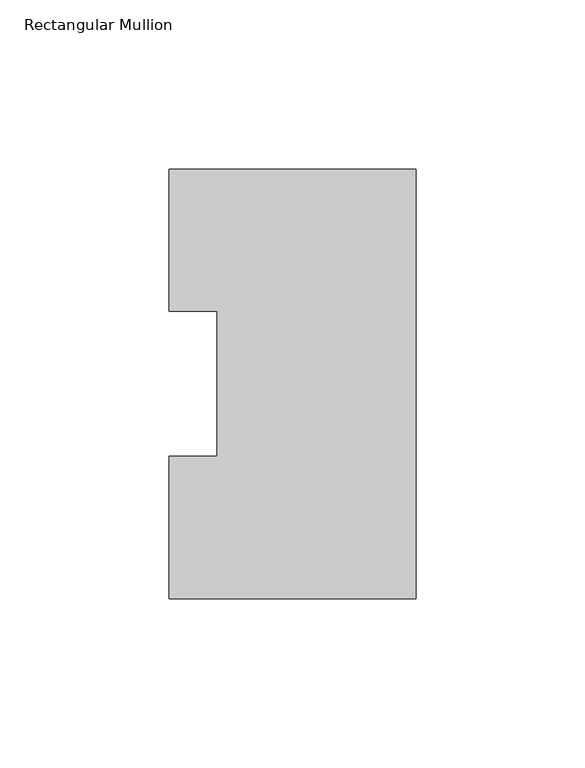
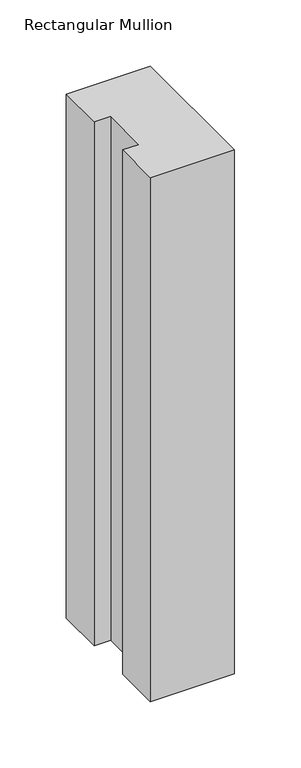
"""IFC4 building model written with IfcOpenShell, lengths in millimetres: member geometry, Rectangular Mullion."""

from ifc_helpers import new_model, si_unit, frame, origin, place, context, project, spatial, polyline, outline, extrude, source, transform, mapped, element, save


def rectangular_mullion_a7e76d80(model_context):
    return source(origin(), model_context, "Body", "SweptSolid", [
        extrude(outline(polyline([(0.0, 127.00635), (0.0, 0.00635), (-73.025, 0.00635), (-73.025, 42.08145), (-58.7375, 42.08145), (-58.7375, 84.93125), (-73.025, 84.93125), (-73.025, 127.00635), (0.0, 127.00635)])), frame((0.0, 0.0, -482.6), z_axis=(0.0, 0.0, 1.0), x_axis=(1.0, 0.0, 0.0)), (0.0, 0.0, 1.0), 482.6),
    ])


if __name__ == "__main__":
    model = new_model("IFC4")
    model_context = context("Model", 3, world=origin())
    ifc_project = project(units=[si_unit("LENGTHUNIT", "METRE", prefix="MILLI")], contexts=[model_context])
    site = spatial("IfcSite", under=ifc_project)
    building = spatial("IfcBuilding", under=site)
    placement = place(None, origin())
    rectangular_mullion_shape = rectangular_mullion_a7e76d80(model_context)
    element("IfcMember", 1, ObjectType="Rectangular Mullion", at=placement, inside=building, context=model_context, shape_type="MappedRepresentation", body=[
        mapped(rectangular_mullion_shape, transform((0.0, 0.0, 0.0), x_axis=(1.0, 0.0, 0.0), y_axis=(0.0, 1.0, 0.0), z_axis=(0.0, 0.0, 1.0))),
    ])
    save(model, "model.ifc")
